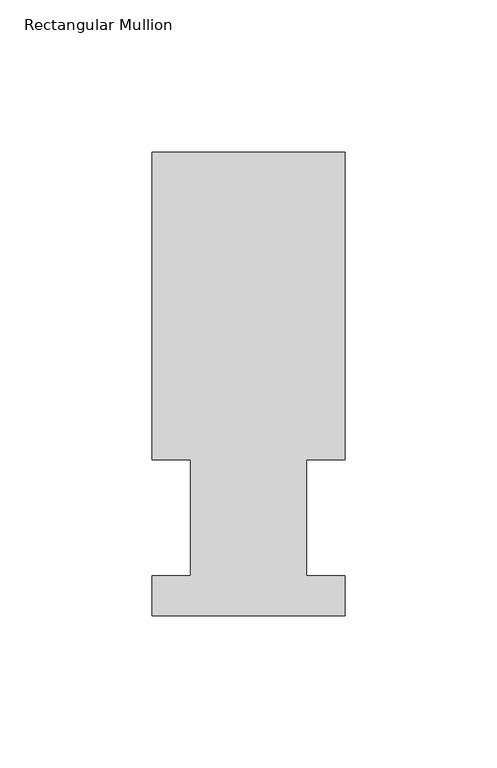
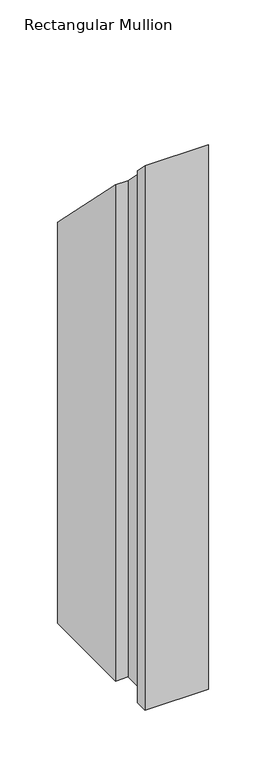
"""IFC4 building model written with IfcOpenShell, lengths in millimetres: member geometry, Rectangular Mullion."""

from ifc_helpers import new_model, si_unit, origin, place, context, project, spatial, faceted_brep, source, transform, mapped, element, save


def rectangular_mullion_55fd2410(model_context):
    return source(origin(), model_context, "Body", "Brep", [
        faceted_brep([(-63.5, 152.4896937, -577.8499997), (-3e-07, 152.4831645, -577.8499997), (-0.0104046, 51.2960937, -577.8499997), (-12.6977047, 51.2960937, -577.8499997), (-12.7016222, 13.1960938, -577.8499997), (-0.0143221, 13.1960938, -577.8499997), (-0.0156783, 0.0069653, -577.8499997), (-63.5156779, 0.0134946, -577.8499997), (-63.5143225, 13.1960938, -577.8499997), (-50.8143224, 13.1960938, -577.8499997), (-50.8104049, 51.2960937, -577.8499997), (-63.510405, 51.2960937, -577.8499997), (-63.510405, 51.2960937, -51.2960937), (-63.5, 152.4896937, -152.4896937), (-50.8104049, 51.2960937, -51.2960937), (-50.8143224, 13.1960938, -13.1960938), (-63.5143225, 13.1960938, -13.1960938), (-63.5156779, 0.0134946, -0.0134946), (-0.0156783, 0.0069653, -0.0069653), (-0.0143221, 13.1960938, -13.1960938), (-12.7016222, 13.1960938, -13.1960938), (-12.6977047, 51.2960937, -51.2960937), (-0.0104046, 51.2960937, -51.2960937), (-3e-07, 152.4831645, -152.4831645)], [[[0, 1, 2, 3, 4, 5, 6, 7, 8, 9, 10, 11]], [[12, 13, 0, 11]], [[14, 12, 11, 10]], [[15, 14, 10, 9]], [[16, 15, 9, 8]], [[17, 16, 8, 7]], [[18, 17, 7, 6]], [[19, 18, 6, 5]], [[20, 19, 5, 4]], [[21, 20, 4, 3]], [[22, 21, 3, 2]], [[23, 22, 2, 1]], [[13, 23, 1, 0]], [[13, 12, 14, 15, 16, 17, 18, 19, 20, 21, 22, 23]]]),
    ])


if __name__ == "__main__":
    model = new_model("IFC4")
    model_context = context("Model", 3, world=origin())
    ifc_project = project(units=[si_unit("LENGTHUNIT", "METRE", prefix="MILLI")], contexts=[model_context])
    site = spatial("IfcSite", under=ifc_project)
    building = spatial("IfcBuilding", under=site)
    placement = place(None, origin())
    rectangular_mullion_shape = rectangular_mullion_55fd2410(model_context)
    element("IfcMember", 1, ObjectType="Rectangular Mullion", at=placement, inside=building, context=model_context, shape_type="MappedRepresentation", body=[
        mapped(rectangular_mullion_shape, transform((0.0, 0.0, 0.0), x_axis=(1.0, 0.0, 0.0), y_axis=(0.0, 1.0, 0.0), z_axis=(0.0, 0.0, 1.0))),
    ])
    save(model, "model.ifc")
